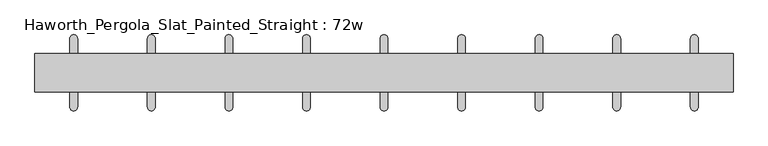
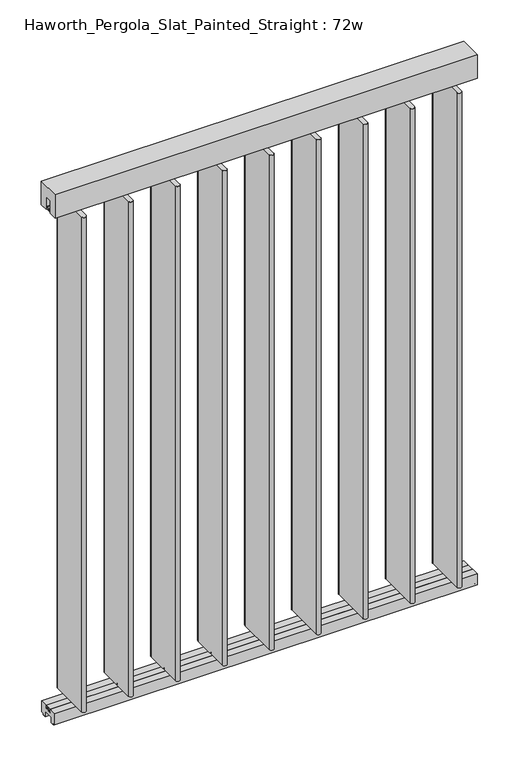
"""IFC4 building model written with IfcOpenShell, lengths in millimetres: furniture geometry, Haworth_Pergola_Slat_Painted_Straight : 72w."""

from ifc_helpers import new_model, si_unit, point, frame, frame_2d, origin, place, context, project, spatial, polyline, circle_curve, trimmed, segment, composite_curve, outline, extrude, source, transform, mapped, element, save


def haworth_pergola_slat_painted_straight_72w_5dc2ac74(model_context):
    return source(origin(), model_context, "Body", "SweptSolid", [
        extrude(outline(composite_curve([segment(trimmed(circle_curve(frame_2d((850.8999978, 0.0)), 6.0), [point((846.6573571, 4.2426407))], [point((855.1426384, -4.2426407))], False, "CARTESIAN"), True, "CONTINUOUS"), segment(trimmed(circle_curve(frame_2d((850.8999978, 0.0)), 6.0), [point((855.1426384, -4.2426407))], [point((846.6573571, 4.2426407))], False, "CARTESIAN"), True, "CONTINUOUS")], self_intersect=False)), frame((0.0, 0.0, 2329.3585937), z_axis=(0.0, 0.0, 1.0), x_axis=(1.0, 0.0, 0.0)), (0.0, 0.0, 1.0), 4.9609375),
        extrude(outline(composite_curve([segment(trimmed(circle_curve(frame_2d((850.8999978, 0.0)), 6.0), [point((846.6573571, 4.2426407))], [point((855.1426384, -4.2426407))], False, "CARTESIAN"), True, "CONTINUOUS"), segment(trimmed(circle_curve(frame_2d((850.8999978, 0.0)), 6.0), [point((855.1426384, -4.2426407))], [point((846.6573571, 4.2426407))], False, "CARTESIAN"), True, "CONTINUOUS")], self_intersect=False)), frame((0.0, 0.0, 61.0195312), z_axis=(0.0, 0.0, 1.0), x_axis=(1.0, 0.0, 0.0)), (0.0, 0.0, 1.0), 4.9609375),
        extrude(outline(composite_curve([segment(polyline([(860.8999989, 89.9829434), (860.8999997, -90.0036731)]), True, "CONTINUOUS"), segment(trimmed(circle_curve(frame_2d((850.8999976, -90.0036731)), 10.0000021), [point((860.8999997, -90.0036731))], [point((840.8999955, -90.0036728))], False, "CARTESIAN"), True, "CONTINUOUS"), segment(polyline([(840.8999955, -90.0036728), (840.9000009, 89.9829437)]), True, "CONTINUOUS"), segment(trimmed(circle_curve(frame_2d((850.8999999, 89.9829434)), 9.999999), [point((840.9000009, 89.9829437))], [point((860.8999989, 89.9829434))], False, "CARTESIAN"), True, "CONTINUOUS")], self_intersect=False)), frame((0.0, 0.0, 65.9804687), z_axis=(0.0, 0.0, 1.0), x_axis=(1.0, 0.0, 0.0)), (0.0, 0.0, 1.0), 2263.378125),
        extrude(outline(composite_curve([segment(trimmed(circle_curve(frame_2d((647.6999978, 0.0012956)), 6.0), [point((643.4573571, 4.2439362))], [point((651.9426384, -4.2413451))], False, "CARTESIAN"), True, "CONTINUOUS"), segment(trimmed(circle_curve(frame_2d((647.6999978, 0.0012956)), 6.0), [point((651.9426384, -4.2413451))], [point((643.4573571, 4.2439362))], False, "CARTESIAN"), True, "CONTINUOUS")], self_intersect=False)), frame((0.0, 0.0, 2329.3585937), z_axis=(0.0, 0.0, 1.0), x_axis=(1.0, 0.0, 0.0)), (0.0, 0.0, 1.0), 4.9609375),
        extrude(outline(composite_curve([segment(trimmed(circle_curve(frame_2d((647.6999978, 0.0012956)), 6.0), [point((643.4573571, 4.2439362))], [point((651.9426384, -4.2413451))], False, "CARTESIAN"), True, "CONTINUOUS"), segment(trimmed(circle_curve(frame_2d((647.6999978, 0.0012956)), 6.0), [point((651.9426384, -4.2413451))], [point((643.4573571, 4.2439362))], False, "CARTESIAN"), True, "CONTINUOUS")], self_intersect=False)), frame((0.0, 0.0, 61.0195312), z_axis=(0.0, 0.0, 1.0), x_axis=(1.0, 0.0, 0.0)), (0.0, 0.0, 1.0), 4.9609375),
        extrude(outline(composite_curve([segment(polyline([(657.6999989, 89.984239), (657.6999997, -90.0023775)]), True, "CONTINUOUS"), segment(trimmed(circle_curve(frame_2d((647.6999976, -90.0023776)), 10.0000021), [point((657.6999997, -90.0023775))], [point((637.6999955, -90.0023773))], False, "CARTESIAN"), True, "CONTINUOUS"), segment(polyline([(637.6999955, -90.0023773), (637.7000009, 89.9842393)]), True, "CONTINUOUS"), segment(trimmed(circle_curve(frame_2d((647.6999999, 89.984239)), 9.999999), [point((637.7000009, 89.9842393))], [point((657.6999989, 89.984239))], False, "CARTESIAN"), True, "CONTINUOUS")], self_intersect=False)), frame((0.0, 0.0, 65.9804687), z_axis=(0.0, 0.0, 1.0), x_axis=(1.0, 0.0, 0.0)), (0.0, 0.0, 1.0), 2263.378125),
        extrude(outline(composite_curve([segment(trimmed(circle_curve(frame_2d((444.4999978, 0.0025911)), 6.0), [point((440.2573571, 4.2452318))], [point((448.7426384, -4.2400496))], False, "CARTESIAN"), True, "CONTINUOUS"), segment(trimmed(circle_curve(frame_2d((444.4999978, 0.0025911)), 6.0), [point((448.7426384, -4.2400496))], [point((440.2573571, 4.2452318))], False, "CARTESIAN"), True, "CONTINUOUS")], self_intersect=False)), frame((0.0, 0.0, 2329.3585937), z_axis=(0.0, 0.0, 1.0), x_axis=(1.0, 0.0, 0.0)), (0.0, 0.0, 1.0), 4.9609375),
        extrude(outline(composite_curve([segment(trimmed(circle_curve(frame_2d((444.4999978, 0.0025911)), 6.0), [point((440.2573571, 4.2452318))], [point((448.7426384, -4.2400496))], False, "CARTESIAN"), True, "CONTINUOUS"), segment(trimmed(circle_curve(frame_2d((444.4999978, 0.0025911)), 6.0), [point((448.7426384, -4.2400496))], [point((440.2573571, 4.2452318))], False, "CARTESIAN"), True, "CONTINUOUS")], self_intersect=False)), frame((0.0, 0.0, 61.0195312), z_axis=(0.0, 0.0, 1.0), x_axis=(1.0, 0.0, 0.0)), (0.0, 0.0, 1.0), 4.9609375),
        extrude(outline(composite_curve([segment(polyline([(454.4999989, 89.9855346), (454.4999997, -90.0010819)]), True, "CONTINUOUS"), segment(trimmed(circle_curve(frame_2d((444.4999976, -90.001082)), 10.0000021), [point((454.4999997, -90.0010819))], [point((434.4999955, -90.0010817))], False, "CARTESIAN"), True, "CONTINUOUS"), segment(polyline([(434.4999955, -90.0010817), (434.5000009, 89.9855348)]), True, "CONTINUOUS"), segment(trimmed(circle_curve(frame_2d((444.4999999, 89.9855345)), 9.999999), [point((434.5000009, 89.9855348))], [point((454.4999989, 89.9855346))], False, "CARTESIAN"), True, "CONTINUOUS")], self_intersect=False)), frame((0.0, 0.0, 65.9804687), z_axis=(0.0, 0.0, 1.0), x_axis=(1.0, 0.0, 0.0)), (0.0, 0.0, 1.0), 2263.378125),
        extrude(outline(composite_curve([segment(trimmed(circle_curve(frame_2d((241.2999978, 0.0038867)), 6.0), [point((237.0573571, 4.2465274))], [point((245.5426384, -4.238754))], False, "CARTESIAN"), True, "CONTINUOUS"), segment(trimmed(circle_curve(frame_2d((241.2999978, 0.0038867)), 6.0), [point((245.5426384, -4.238754))], [point((237.0573571, 4.2465274))], False, "CARTESIAN"), True, "CONTINUOUS")], self_intersect=False)), frame((0.0, 0.0, 2329.3585937), z_axis=(0.0, 0.0, 1.0), x_axis=(1.0, 0.0, 0.0)), (0.0, 0.0, 1.0), 4.9609375),
        extrude(outline(composite_curve([segment(trimmed(circle_curve(frame_2d((241.2999978, 0.0038867)), 6.0), [point((237.0573571, 4.2465274))], [point((245.5426384, -4.238754))], False, "CARTESIAN"), True, "CONTINUOUS"), segment(trimmed(circle_curve(frame_2d((241.2999978, 0.0038867)), 6.0), [point((245.5426384, -4.238754))], [point((237.0573571, 4.2465274))], False, "CARTESIAN"), True, "CONTINUOUS")], self_intersect=False)), frame((0.0, 0.0, 61.0195312), z_axis=(0.0, 0.0, 1.0), x_axis=(1.0, 0.0, 0.0)), (0.0, 0.0, 1.0), 4.9609375),
        extrude(outline(composite_curve([segment(polyline([(251.2999989, 89.9868301), (251.2999997, -89.9997864)]), True, "CONTINUOUS"), segment(trimmed(circle_curve(frame_2d((241.2999976, -89.9997864)), 10.0000021), [point((251.2999997, -89.9997864))], [point((231.2999955, -89.9997861))], False, "CARTESIAN"), True, "CONTINUOUS"), segment(polyline([(231.2999955, -89.9997861), (231.3000009, 89.9868304)]), True, "CONTINUOUS"), segment(trimmed(circle_curve(frame_2d((241.2999999, 89.9868301)), 9.999999), [point((231.3000009, 89.9868304))], [point((251.2999989, 89.9868301))], False, "CARTESIAN"), True, "CONTINUOUS")], self_intersect=False)), frame((0.0, 0.0, 65.9804687), z_axis=(0.0, 0.0, 1.0), x_axis=(1.0, 0.0, 0.0)), (0.0, 0.0, 1.0), 2263.378125),
        extrude(outline(composite_curve([segment(trimmed(circle_curve(frame_2d((38.0999978, 0.0051823)), 6.0), [point((33.8573571, 4.247823))], [point((42.3426384, -4.2374584))], False, "CARTESIAN"), True, "CONTINUOUS"), segment(trimmed(circle_curve(frame_2d((38.0999978, 0.0051823)), 6.0), [point((42.3426384, -4.2374584))], [point((33.8573571, 4.247823))], False, "CARTESIAN"), True, "CONTINUOUS")], self_intersect=False)), frame((0.0, 0.0, 2329.3585937), z_axis=(0.0, 0.0, 1.0), x_axis=(1.0, 0.0, 0.0)), (0.0, 0.0, 1.0), 4.9609375),
        extrude(outline(composite_curve([segment(trimmed(circle_curve(frame_2d((38.0999978, 0.0051823)), 6.0), [point((33.8573571, 4.247823))], [point((42.3426384, -4.2374584))], False, "CARTESIAN"), True, "CONTINUOUS"), segment(trimmed(circle_curve(frame_2d((38.0999978, 0.0051823)), 6.0), [point((42.3426384, -4.2374584))], [point((33.8573571, 4.247823))], False, "CARTESIAN"), True, "CONTINUOUS")], self_intersect=False)), frame((0.0, 0.0, 61.0195312), z_axis=(0.0, 0.0, 1.0), x_axis=(1.0, 0.0, 0.0)), (0.0, 0.0, 1.0), 4.9609375),
        extrude(outline(composite_curve([segment(polyline([(48.0999989, 89.9881257), (48.0999997, -89.9984908)]), True, "CONTINUOUS"), segment(trimmed(circle_curve(frame_2d((38.0999976, -89.9984908)), 10.0000021), [point((48.0999997, -89.9984908))], [point((28.0999955, -89.9984905))], False, "CARTESIAN"), True, "CONTINUOUS"), segment(polyline([(28.0999955, -89.9984905), (28.1000009, 89.988126)]), True, "CONTINUOUS"), segment(trimmed(circle_curve(frame_2d((38.0999999, 89.9881257)), 9.999999), [point((28.1000009, 89.988126))], [point((48.0999989, 89.9881257))], False, "CARTESIAN"), True, "CONTINUOUS")], self_intersect=False)), frame((0.0, 0.0, 65.9804687), z_axis=(0.0, 0.0, 1.0), x_axis=(1.0, 0.0, 0.0)), (0.0, 0.0, 1.0), 2263.378125),
        extrude(outline(composite_curve([segment(trimmed(circle_curve(frame_2d((-165.1000022, 0.0064778)), 6.0), [point((-169.3426429, 4.2491185))], [point((-160.8573616, -4.2361628))], False, "CARTESIAN"), True, "CONTINUOUS"), segment(trimmed(circle_curve(frame_2d((-165.1000022, 0.0064778)), 6.0), [point((-160.8573616, -4.2361628))], [point((-169.3426429, 4.2491185))], False, "CARTESIAN"), True, "CONTINUOUS")], self_intersect=False)), frame((0.0, 0.0, 2329.3585937), z_axis=(0.0, 0.0, 1.0), x_axis=(1.0, 0.0, 0.0)), (0.0, 0.0, 1.0), 4.9609375),
        extrude(outline(composite_curve([segment(trimmed(circle_curve(frame_2d((-165.1000022, 0.0064778)), 6.0), [point((-169.3426429, 4.2491185))], [point((-160.8573616, -4.2361628))], False, "CARTESIAN"), True, "CONTINUOUS"), segment(trimmed(circle_curve(frame_2d((-165.1000022, 0.0064778)), 6.0), [point((-160.8573616, -4.2361628))], [point((-169.3426429, 4.2491185))], False, "CARTESIAN"), True, "CONTINUOUS")], self_intersect=False)), frame((0.0, 0.0, 61.0195312), z_axis=(0.0, 0.0, 1.0), x_axis=(1.0, 0.0, 0.0)), (0.0, 0.0, 1.0), 4.9609375),
        extrude(outline(composite_curve([segment(polyline([(-155.1000011, 89.9894213), (-155.1000003, -89.9971952)]), True, "CONTINUOUS"), segment(trimmed(circle_curve(frame_2d((-165.1000024, -89.9971953)), 10.0000021), [point((-155.1000003, -89.9971952))], [point((-175.1000045, -89.997195))], False, "CARTESIAN"), True, "CONTINUOUS"), segment(polyline([(-175.1000045, -89.997195), (-175.0999991, 89.9894215)]), True, "CONTINUOUS"), segment(trimmed(circle_curve(frame_2d((-165.1000001, 89.9894212)), 9.999999), [point((-175.0999991, 89.9894215))], [point((-155.1000011, 89.9894213))], False, "CARTESIAN"), True, "CONTINUOUS")], self_intersect=False)), frame((0.0, 0.0, 65.9804687), z_axis=(0.0, 0.0, 1.0), x_axis=(1.0, 0.0, 0.0)), (0.0, 0.0, 1.0), 2263.378125),
        extrude(outline(composite_curve([segment(trimmed(circle_curve(frame_2d((-368.3000022, 0.0077734)), 6.0), [point((-372.5426429, 4.2504141))], [point((-364.0573616, -4.2348673))], False, "CARTESIAN"), True, "CONTINUOUS"), segment(trimmed(circle_curve(frame_2d((-368.3000022, 0.0077734)), 6.0), [point((-364.0573616, -4.2348673))], [point((-372.5426429, 4.2504141))], False, "CARTESIAN"), True, "CONTINUOUS")], self_intersect=False)), frame((0.0, 0.0, 2329.3585937), z_axis=(0.0, 0.0, 1.0), x_axis=(1.0, 0.0, 0.0)), (0.0, 0.0, 1.0), 4.9609375),
        extrude(outline(composite_curve([segment(trimmed(circle_curve(frame_2d((-368.3000022, 0.0077734)), 6.0), [point((-372.5426429, 4.2504141))], [point((-364.0573616, -4.2348673))], False, "CARTESIAN"), True, "CONTINUOUS"), segment(trimmed(circle_curve(frame_2d((-368.3000022, 0.0077734)), 6.0), [point((-364.0573616, -4.2348673))], [point((-372.5426429, 4.2504141))], False, "CARTESIAN"), True, "CONTINUOUS")], self_intersect=False)), frame((0.0, 0.0, 61.0195312), z_axis=(0.0, 0.0, 1.0), x_axis=(1.0, 0.0, 0.0)), (0.0, 0.0, 1.0), 4.9609375),
        extrude(outline(composite_curve([segment(polyline([(-358.3000011, 89.9907169), (-358.3000003, -89.9958997)]), True, "CONTINUOUS"), segment(trimmed(circle_curve(frame_2d((-368.3000024, -89.9958997)), 10.0000021), [point((-358.3000003, -89.9958997))], [point((-378.3000045, -89.9958994))], False, "CARTESIAN"), True, "CONTINUOUS"), segment(polyline([(-378.3000045, -89.9958994), (-378.2999991, 89.9907171)]), True, "CONTINUOUS"), segment(trimmed(circle_curve(frame_2d((-368.3000001, 89.9907168)), 9.999999), [point((-378.2999991, 89.9907171))], [point((-358.3000011, 89.9907169))], False, "CARTESIAN"), True, "CONTINUOUS")], self_intersect=False)), frame((0.0, 0.0, 65.9804687), z_axis=(0.0, 0.0, 1.0), x_axis=(1.0, 0.0, 0.0)), (0.0, 0.0, 1.0), 2263.378125),
        extrude(outline(composite_curve([segment(trimmed(circle_curve(frame_2d((-571.5000022, 0.009069)), 6.0), [point((-575.7426429, 4.2517097))], [point((-567.2573616, -4.2335717))], False, "CARTESIAN"), True, "CONTINUOUS"), segment(trimmed(circle_curve(frame_2d((-571.5000022, 0.009069)), 6.0), [point((-567.2573616, -4.2335717))], [point((-575.7426429, 4.2517097))], False, "CARTESIAN"), True, "CONTINUOUS")], self_intersect=False)), frame((0.0, 0.0, 2329.3585937), z_axis=(0.0, 0.0, 1.0), x_axis=(1.0, 0.0, 0.0)), (0.0, 0.0, 1.0), 4.9609375),
        extrude(outline(composite_curve([segment(trimmed(circle_curve(frame_2d((-571.5000022, 0.009069)), 6.0), [point((-575.7426429, 4.2517097))], [point((-567.2573616, -4.2335717))], False, "CARTESIAN"), True, "CONTINUOUS"), segment(trimmed(circle_curve(frame_2d((-571.5000022, 0.009069)), 6.0), [point((-567.2573616, -4.2335717))], [point((-575.7426429, 4.2517097))], False, "CARTESIAN"), True, "CONTINUOUS")], self_intersect=False)), frame((0.0, 0.0, 61.0195312), z_axis=(0.0, 0.0, 1.0), x_axis=(1.0, 0.0, 0.0)), (0.0, 0.0, 1.0), 4.9609375),
        extrude(outline(composite_curve([segment(polyline([(-561.5000011, 89.9920124), (-561.5000003, -89.9946041)]), True, "CONTINUOUS"), segment(trimmed(circle_curve(frame_2d((-571.5000024, -89.9946041)), 10.0000021), [point((-561.5000003, -89.9946041))], [point((-581.5000045, -89.9946038))], False, "CARTESIAN"), True, "CONTINUOUS"), segment(polyline([(-581.5000045, -89.9946038), (-581.4999991, 89.9920127)]), True, "CONTINUOUS"), segment(trimmed(circle_curve(frame_2d((-571.5000001, 89.9920124)), 9.999999), [point((-581.4999991, 89.9920127))], [point((-561.5000011, 89.9920124))], False, "CARTESIAN"), True, "CONTINUOUS")], self_intersect=False)), frame((0.0, 0.0, 65.9804687), z_axis=(0.0, 0.0, 1.0), x_axis=(1.0, 0.0, 0.0)), (0.0, 0.0, 1.0), 2263.378125),
        extrude(outline(composite_curve([segment(trimmed(circle_curve(frame_2d((-774.7000022, 0.0103646)), 6.0), [point((-778.9426429, 4.2530052))], [point((-770.4573616, -4.2322761))], False, "CARTESIAN"), True, "CONTINUOUS"), segment(trimmed(circle_curve(frame_2d((-774.7000022, 0.0103646)), 6.0), [point((-770.4573616, -4.2322761))], [point((-778.9426429, 4.2530052))], False, "CARTESIAN"), True, "CONTINUOUS")], self_intersect=False)), frame((0.0, 0.0, 2329.3585937), z_axis=(0.0, 0.0, 1.0), x_axis=(1.0, 0.0, 0.0)), (0.0, 0.0, 1.0), 4.9609375),
        extrude(outline(composite_curve([segment(trimmed(circle_curve(frame_2d((-774.7000022, 0.0103646)), 6.0), [point((-778.9426429, 4.2530052))], [point((-770.4573616, -4.2322761))], False, "CARTESIAN"), True, "CONTINUOUS"), segment(trimmed(circle_curve(frame_2d((-774.7000022, 0.0103646)), 6.0), [point((-770.4573616, -4.2322761))], [point((-778.9426429, 4.2530052))], False, "CARTESIAN"), True, "CONTINUOUS")], self_intersect=False)), frame((0.0, 0.0, 61.0195312), z_axis=(0.0, 0.0, 1.0), x_axis=(1.0, 0.0, 0.0)), (0.0, 0.0, 1.0), 4.9609375),
        extrude(outline(composite_curve([segment(polyline([(-764.7000011, 89.993308), (-764.7000003, -89.9933085)]), True, "CONTINUOUS"), segment(trimmed(circle_curve(frame_2d((-774.7000024, -89.9933086)), 10.0000021), [point((-764.7000003, -89.9933085))], [point((-784.7000045, -89.9933083))], False, "CARTESIAN"), True, "CONTINUOUS"), segment(polyline([(-784.7000045, -89.9933083), (-784.6999991, 89.9933083)]), True, "CONTINUOUS"), segment(trimmed(circle_curve(frame_2d((-774.7000001, 89.993308)), 9.999999), [point((-784.6999991, 89.9933083))], [point((-764.7000011, 89.993308))], False, "CARTESIAN"), True, "CONTINUOUS")], self_intersect=False)), frame((0.0, 0.0, 65.9804687), z_axis=(0.0, 0.0, 1.0), x_axis=(1.0, 0.0, 0.0)), (0.0, 0.0, 1.0), 2263.378125),
        extrude(outline(polyline([(-50.8, 2438.4), (50.8, 2438.4), (50.8, 2331.8390625), (15.2182948, 2331.8390625), (15.2182948, 2388.7001663), (-15.2182948, 2388.7001663), (-15.2182948, 2331.8390625), (-50.8, 2331.8390625), (-50.8, 2438.4)])), frame((-876.3, 0.0, 0.0), z_axis=(1.0, 0.0, 0.0), x_axis=(0.0, 1.0, 0.0)), (0.0, 0.0, 1.0), 1828.8),
        extrude(outline(polyline([(-7.8249998, 61.7499993), (-15.2249995, 61.7499993), (-15.2249995, 63.5), (15.2249996, 63.5), (15.2249996, 61.7499999), (13.3999997, 61.7499999), (13.3999997, 50.2499995), (11.8250005, 50.2499995), (11.8250005, 61.7499993), (-4.8250001, 61.7499993), (-4.8250001, 50.0999996), (-7.8249998, 50.0999996), (-7.8249998, 61.7499993)])), frame((-876.3, 0.0, 0.0), z_axis=(1.0, 0.0, 0.0), x_axis=(0.0, 1.0, 0.0)), (0.0, 0.0, 1.0), 1828.8),
        extrude(outline(polyline([(-16.2000002, 63.5), (-16.5085717, 61.7499999), (-13.3999996, 61.7499999), (-13.3999996, 58.8973461), (-15.4000002, 59.2499999), (-15.4000002, 48.3500004), (15.4000003, 48.3500004), (15.4000003, 59.2499999), (13.3999997, 58.8973461), (13.3999997, 61.7499999), (16.5085718, 61.7499999), (16.2000003, 63.5), (50.0000004, 63.5), (50.0000004, 12.6999985), (40.9499987, 12.6999985), (38.9499981, 10.6999979), (28.9499999, 10.6999979), (28.9499999, 7.6999994), (38.9499981, 7.6999994), (38.9499981, 5.6999988), (23.7499993, 5.6999988), (23.7499993, 31.4500009), (-23.7499992, 31.4500009), (-23.7499992, 5.6999988), (-38.949998, 5.6999988), (-38.949998, 7.6999994), (-28.9499998, 7.6999994), (-28.9499998, 10.6999979), (-38.949998, 10.6999979), (-40.9499986, 12.6999985), (-50.0000003, 12.6999985), (-50.0000003, 63.5), (-16.2000002, 63.5)])), frame((-876.3, 0.0, 0.0), z_axis=(1.0, 0.0, 0.0), x_axis=(0.0, 1.0, 0.0)), (0.0, 0.0, 1.0), 1828.8),
        extrude(outline(polyline([(7.8249999, 2338.5500385), (15.2249996, 2338.5500385), (15.2249996, 2336.8), (-15.2249995, 2336.8), (-15.2249995, 2338.5500385), (-13.3999996, 2338.5500385), (-13.3999996, 2350.0500633), (-11.8249992, 2350.0500633), (-11.8250004, 2338.5500385), (4.8250002, 2338.5500385), (4.8250002, 2350.2000542), (7.8250005, 2350.2000542), (7.8249999, 2338.5500385)])), frame((-876.3, 0.0, 0.0), z_axis=(1.0, 0.0, 0.0), x_axis=(0.0, 1.0, 0.0)), (0.0, 0.0, 1.0), 1828.8),
        extrude(outline(composite_curve([segment(trimmed(circle_curve(frame_2d((38.1000001, 1e-07)), 6.0), [point((32.1000001, 1e-07))], [point((44.1000001, 1e-07))], False, "CARTESIAN"), True, "CONTINUOUS"), segment(trimmed(circle_curve(frame_2d((38.1000001, 1e-07)), 6.0), [point((44.1000001, 1e-07))], [point((32.1000001, 1e-07))], False, "CARTESIAN"), True, "CONTINUOUS")], self_intersect=False)), frame((0.0, 0.0, 2319.1390625), z_axis=(0.0, 0.0, 1.0), x_axis=(1.0, 0.0, 0.0)), (0.0, 0.0, 1.0), 17.6609375),
        extrude(outline(composite_curve([segment(trimmed(circle_curve(frame_2d((38.1000001, 1e-07)), 6.0), [point((32.1000001, 1e-07))], [point((44.1000001, 1e-07))], False, "CARTESIAN"), True, "CONTINUOUS"), segment(trimmed(circle_curve(frame_2d((38.1000001, 1e-07)), 6.0), [point((44.1000001, 1e-07))], [point((32.1000001, 1e-07))], False, "CARTESIAN"), True, "CONTINUOUS")], self_intersect=False)), frame((0.0, 0.0, 55.7609375), z_axis=(0.0, 0.0, 1.0), x_axis=(1.0, 0.0, 0.0)), (0.0, 0.0, 1.0), 7.7390625),
    ])


if __name__ == "__main__":
    model = new_model("IFC4")
    model_context = context("Model", 3, world=origin())
    ifc_project = project(units=[si_unit("LENGTHUNIT", "METRE", prefix="MILLI")], contexts=[model_context])
    site = spatial("IfcSite", under=ifc_project)
    building = spatial("IfcBuilding", under=site)
    placement = place(None, origin())
    haworth_pergola_slat_painted_straight_72w_shape = haworth_pergola_slat_painted_straight_72w_5dc2ac74(model_context)
    element("IfcFurniture", 1, ObjectType="Haworth_Pergola_Slat_Painted_Straight : 72w", at=placement, inside=building, context=model_context, shape_type="MappedRepresentation", body=[
        mapped(haworth_pergola_slat_painted_straight_72w_shape, transform((0.0, 0.0, 0.0), x_axis=(1.0, 0.0, 0.0), y_axis=(0.0, 1.0, 0.0), z_axis=(0.0, 0.0, 1.0))),
    ])
    save(model, "model.ifc")
